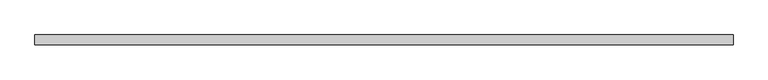
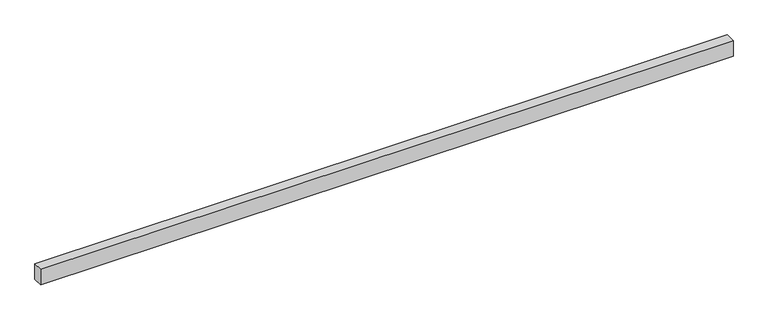
"""IFC4 building model written with IfcOpenShell, lengths in millimetres: proxy geometry."""

from ifc_helpers import new_model, si_unit, origin, origin_with_axes, place, context, project, spatial, polyline, outline, extrude, source, transform, mapped, element, save


def generic_models_687e41ca(model_context):
    return source(origin(), model_context, "Body", "SweptSolid", [
        extrude(outline(polyline([(21000.0, 300.0), (21000.0, 0.0), (0.0, 0.0), (0.0, 300.0), (21000.0, 300.0)])), origin_with_axes(), (0.0, 0.0, 1.0), 500.0),
    ])


if __name__ == "__main__":
    model = new_model("IFC4")
    model_context = context("Model", 3, world=origin())
    ifc_project = project(units=[si_unit("LENGTHUNIT", "METRE", prefix="MILLI")], contexts=[model_context])
    site = spatial("IfcSite", under=ifc_project)
    building = spatial("IfcBuilding", under=site)
    placement = place(None, origin())
    generic_models_shape = generic_models_687e41ca(model_context)
    element("IfcBuildingElementProxy", 1, Name="Generic Models", at=placement, inside=building, context=model_context, shape_type="MappedRepresentation", body=[
        mapped(generic_models_shape, transform((0.0, 0.0, 0.0), x_axis=(1.0, 0.0, 0.0), y_axis=(0.0, 1.0, 0.0), z_axis=(0.0, 0.0, 1.0))),
    ])
    save(model, "model.ifc")
